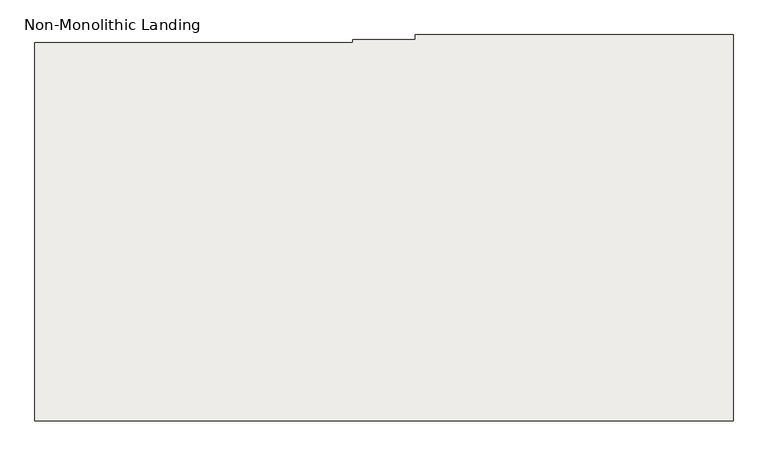
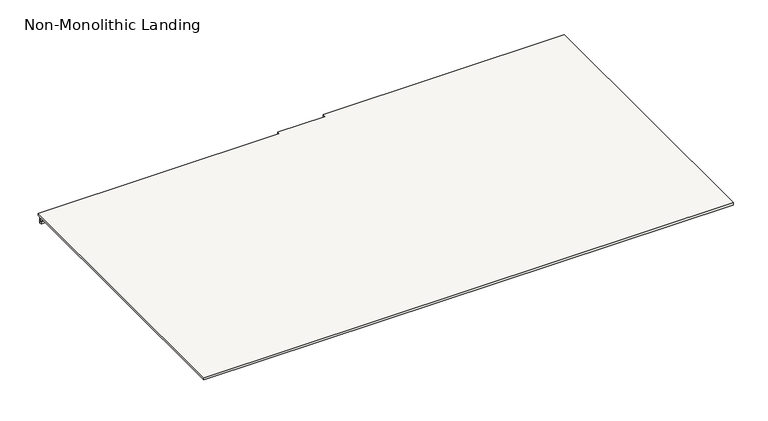
"""IFC4 building model written with IfcOpenShell, lengths in millimetres: slab geometry, Non-Monolithic Landing."""

import ifcopenshell
import ifcopenshell.guid

model = None  # the IFC model being written
_history = None  # IfcOwnerHistory: only IFC2X3 demands one
_inside = {}  # id of a spatial element -> (the spatial element, [elements in it])
_under = {}  # id of a project, library or spatial element -> (it, [spatial elements below it])
_declared = {}  # id of a project -> (the project, [libraries it declares])
_typed = {}  # id of a type object -> (the type object, [elements of that type])
_made_of = {}  # id of a material, layer set ... -> (it, [elements and type objects made of it])


def new_model(schema):
    """Start an empty IFC model of exactly this schema.

    Asked for "IFC4X3", IfcOpenShell would pick the latest addendum, in which some entities
    have other attributes; the version numbers below select the first issue.
    IFC2X3 requires an IfcOwnerHistory on every rooted entity: one is made here for all.
    """
    global model, _history
    if schema == "IFC4X3":
        model = ifcopenshell.file(schema_version=(4, 3, 0, 0))
    else:
        model = ifcopenshell.file(schema=schema)
    _inside.clear()
    _under.clear()
    _declared.clear()
    _typed.clear()
    _made_of.clear()
    _history = None
    if model.schema == "IFC2X3":
        org = make("IfcOrganization", Name="unknown")
        user = make(
            "IfcPersonAndOrganization",
            ThePerson=make("IfcPerson", FamilyName="unknown"),
            TheOrganization=org,
        )
        app = make(
            "IfcApplication",
            ApplicationDeveloper=org,
            Version="unknown",
            ApplicationFullName="unknown",
            ApplicationIdentifier="unknown",
        )
        _history = make(
            "IfcOwnerHistory",
            OwningUser=user,
            OwningApplication=app,
            ChangeAction="ADDED",
            CreationDate=0,
        )
    return model


def make(cls, **values):
    """One entity of the class cls with the attributes given. An attribute that is None is left unset."""
    return model.create_entity(
        cls, **{name: value for name, value in values.items() if value is not None}
    )


def rooted(cls, **values):
    """An entity with a GlobalId (a new one), such as an element, a storey or a relation."""
    return make(cls, GlobalId=ifcopenshell.guid.new(), OwnerHistory=_history, **values)


def si_unit(unit_type, name, prefix=None):
    """IfcSIUnit, for example si_unit("LENGTHUNIT", "METRE", prefix="MILLI")."""
    return make("IfcSIUnit", UnitType=unit_type, Prefix=prefix, Name=name)


def assignment(units):
    """IfcUnitAssignment: the units of a project."""
    return None if units is None else make("IfcUnitAssignment", Units=units)


def point(xyz):
    """IfcCartesianPoint."""
    return None if xyz is None else make("IfcCartesianPoint", Coordinates=xyz)


def direction(xyz):
    """IfcDirection."""
    return None if xyz is None else make("IfcDirection", DirectionRatios=xyz)


def frame(location, z_axis=None, x_axis=None):
    """IfcAxis2Placement3D, a coordinate frame: its origin and axes. An axis left out is left unset."""
    return make(
        "IfcAxis2Placement3D",
        Location=point(location),
        Axis=direction(z_axis),
        RefDirection=direction(x_axis),
    )


def origin():
    """The frame at (0, 0, 0) with its axes left unset."""
    return frame((0.0, 0.0, 0.0))


def place(relative_to, where):
    """IfcLocalPlacement: puts the frame where relative to a parent placement (None: the world)."""
    return make(
        "IfcLocalPlacement", PlacementRelTo=relative_to, RelativePlacement=where
    )


def context(
    kind, dimensions, precision=None, world=None, true_north=None, identifier=None
):
    """IfcGeometricRepresentationContext, for example the 3D "Model" context."""
    return make(
        "IfcGeometricRepresentationContext",
        ContextIdentifier=identifier,
        ContextType=kind,
        CoordinateSpaceDimension=dimensions,
        Precision=precision,
        WorldCoordinateSystem=world,
        TrueNorth=true_north,
    )


def project(units=None, contexts=None):
    """IfcProject with its units and contexts."""
    return rooted(
        "IfcProject",
        Name="project",
        RepresentationContexts=contexts,
        UnitsInContext=assignment(units),
    )


def spatial(cls, under=None, at=None, **own):
    """A site, building, storey or space (cls), placed at a placement, below another one or the project."""
    s = rooted(cls, ObjectPlacement=at, **own)
    if under is not None:
        _under.setdefault(under.id(), (under, []))[1].append(s)
    return s


def faces_of(points, faces, orient=None, outer=None):
    """IfcFace entities. A face is a list of loops; a loop is a list of indices into points, from 0.

    orient and outer hold one flag for each loop. By default every Orientation is true, the
    first loop of a face is its IfcFaceOuterBound and the others are IfcFaceBound.
    """
    made = []
    for i, loops in enumerate(faces):
        bounds = []
        for j, loop in enumerate(loops):
            is_outer = j == 0 if outer is None else outer[i][j]
            bounds.append(
                make(
                    "IfcFaceOuterBound" if is_outer else "IfcFaceBound",
                    Bound=make("IfcPolyLoop", Polygon=[points[k] for k in loop]),
                    Orientation=True if orient is None else orient[i][j],
                )
            )
        made.append(make("IfcFace", Bounds=bounds))
    return made


def faceted_brep(points, faces, orient=None, outer=None, voids=None):
    """IfcFacetedBrep: a solid bounded by flat faces; with voids (closed shells), ...WithVoids."""
    shared = [point(p) for p in points]
    hull = make("IfcClosedShell", CfsFaces=faces_of(shared, faces, orient, outer))
    if voids is None:
        return make("IfcFacetedBrep", Outer=hull)
    return make(
        "IfcFacetedBrepWithVoids",
        Outer=hull,
        Voids=[
            make(cls, CfsFaces=faces_of(shared, fs, o, b)) for cls, fs, o, b in voids
        ],
    )


def shape(context_of_items, identifier, shape_type, items):
    """IfcShapeRepresentation: the items that make up one representation, for example the "Body"."""
    return make(
        "IfcShapeRepresentation",
        ContextOfItems=context_of_items,
        RepresentationIdentifier=identifier,
        RepresentationType=shape_type,
        Items=items,
    )


def source(mapping_origin, context_of_items, identifier, shape_type, items):
    """IfcRepresentationMap: a shape defined once, which mapped items show again and again."""
    return make(
        "IfcRepresentationMap",
        MappingOrigin=mapping_origin,
        MappedRepresentation=shape(context_of_items, identifier, shape_type, items),
    )


def transform(
    local_origin,
    x_axis=None,
    y_axis=None,
    z_axis=None,
    scale=None,
    scale2=None,
    scale3=None,
    uniform=True,
):
    """IfcCartesianTransformationOperator3D, or its non-uniform kind. x_axis, y_axis, z_axis: its Axis1, 2, 3."""
    if uniform:
        return make(
            "IfcCartesianTransformationOperator3D",
            Axis1=direction(x_axis),
            Axis2=direction(y_axis),
            LocalOrigin=point(local_origin),
            Scale=scale,
            Axis3=direction(z_axis),
        )
    return make(
        "IfcCartesianTransformationOperator3DnonUniform",
        Axis1=direction(x_axis),
        Axis2=direction(y_axis),
        LocalOrigin=point(local_origin),
        Scale=scale,
        Axis3=direction(z_axis),
        Scale2=scale2,
        Scale3=scale3,
    )


def mapped(mapping_source, mapping_target):
    """IfcMappedItem: shows the shape of a source again, moved by a transform."""
    return make(
        "IfcMappedItem", MappingSource=mapping_source, MappingTarget=mapping_target
    )


def made_of(thing, what):
    """Note that an element or type object is made of a material, layer set ...; save() writes the relation."""
    if what is not None:
        _made_of.setdefault(what.id(), (what, []))[1].append(thing)
    return thing


def element(
    cls,
    number,
    at=None,
    inside=None,
    cuts=None,
    type_object=None,
    material=None,
    context=None,
    identifier="Body",
    shape_type=None,
    held_by="IfcProductDefinitionShape",
    body=None,
    shapes=None,
    **own,
):
    """One element of the class cls, such as IfcWall. Its Tag is "e" and its number.

    at: its placement. inside: the storey or other place that contains it. cuts: it is an
    opening in that element (IfcRelVoidsElement). A single representation is given by context,
    identifier, shape_type and body (its items); several are given by shapes. held_by: the class
    of the entity that holds the representations. save() writes the other relations.
    """
    e = rooted(cls, Tag="e%d" % number, ObjectPlacement=at, **own)
    if body is not None:
        shapes = [shape(context, identifier, shape_type, body)]
    if shapes is not None:
        e.Representation = make(held_by, Representations=shapes)
    if inside is not None:
        _inside.setdefault(inside.id(), (inside, []))[1].append(e)
    if cuts is not None:
        rooted(
            "IfcRelVoidsElement", RelatingBuildingElement=cuts, RelatedOpeningElement=e
        )
    if type_object is not None:
        _typed.setdefault(type_object.id(), (type_object, []))[1].append(e)
    return made_of(e, material)


def aggregate(whole, parts):
    """IfcRelAggregates: a whole, such as a stair, and the parts it consists of."""
    return rooted("IfcRelAggregates", RelatingObject=whole, RelatedObjects=parts)


def save(model, path):
    """Write the relations noted so far, then the file.

    IfcRelAggregates (storeys below a building ...), IfcRelContainedInSpatialStructure (elements
    in a storey), IfcRelDefinesByType, IfcRelAssociatesMaterial and IfcRelDeclares: one each for
    every whole, place, type object, material and project.
    """
    for whole, parts in _under.values():
        aggregate(whole, parts)
    for where, things in _inside.values():
        rooted(
            "IfcRelContainedInSpatialStructure",
            RelatedElements=things,
            RelatingStructure=where,
        )
    for kind, things in _typed.values():
        rooted("IfcRelDefinesByType", RelatedObjects=things, RelatingType=kind)
    for what, things in _made_of.values():
        rooted("IfcRelAssociatesMaterial", RelatedObjects=things, RelatingMaterial=what)
    for by, libraries in _declared.values():
        rooted("IfcRelDeclares", RelatingContext=by, RelatedDefinitions=libraries)
    model.write(path)


def non_monolithic_landing_ba6491e0(model_context):
    return source(origin(), model_context, "Body", "Brep", [
        faceted_brep([(-7622.7515248, -12958.9832568, 3979.7647059), (-7622.7515248, -12943.9832568, 3979.7647059), (-8622.7515248, -12943.9832568, 3979.7647059), (-8622.7515248, -12958.9832568, 3979.7647059), (-8819.2515248, -12958.9832568, 3979.7647059), (-8819.2515248, -12968.9832568, 3979.7647059), (-9819.2515248, -12968.9832568, 3979.7647059), (-9819.2515248, -14158.9832568, 3979.7647059), (-7622.7515248, -14158.9832568, 3979.7647059), (-7622.7515248, -12943.9832568, 3969.7647059), (-7622.7515248, -12958.9832568, 3969.7647059), (-7622.7515248, -14158.9832568, 3969.7647059), (-9819.2515248, -14158.9832568, 3969.7647059), (-9819.2515248, -12982.2776112, 3969.7647059), (-8819.2515248, -12982.2776112, 3969.7647059), (-8819.2515248, -12978.9832568, 3969.7647059), (-9819.2515248, -12978.9832568, 3969.7647059), (-9819.2515248, -12968.9832568, 3969.7647059), (-8819.2515248, -12968.9832568, 3969.7647059), (-8819.2515248, -12958.9832568, 3969.7647059), (-8622.7515248, -12958.9832568, 3969.7647059), (-8622.7515248, -12943.9832568, 3969.7647059), (-9819.2515248, -12978.9832568, 3943.8840866), (-9819.2515248, -12988.1775789, 3943.8840866), (-9819.2515248, -12988.1775789, 3953.1427353), (-9819.2515248, -12982.2776112, 3953.1297322), (-8819.2515248, -12988.1775789, 3943.8840866), (-8819.2515248, -12978.9832568, 3943.8840866), (-8819.2515248, -12982.2776112, 3953.1297322), (-8819.2515248, -12988.1775789, 3953.1427353)], [[[0, 1, 2, 3, 4, 5, 6, 7, 8]], [[9, 10, 11, 12, 13, 14, 15, 16, 17, 18, 19, 20, 21]], [[6, 17, 16, 22, 23, 24, 25, 13, 12, 7]], [[8, 7, 12, 11]], [[0, 8, 11, 10]], [[4, 3, 20, 19]], [[2, 1, 9, 21]], [[1, 0, 10, 9]], [[3, 2, 21, 20]], [[6, 5, 18, 17]], [[26, 27, 15, 14, 28, 29]], [[27, 22, 16, 15]], [[23, 22, 27, 26]], [[24, 23, 26, 29]], [[25, 24, 29, 28]], [[25, 28, 14, 13]], [[5, 4, 19, 18]]]),
    ])


if __name__ == "__main__":
    model = new_model("IFC4")
    model_context = context("Model", 3, world=origin())
    ifc_project = project(units=[si_unit("LENGTHUNIT", "METRE", prefix="MILLI")], contexts=[model_context])
    site = spatial("IfcSite", under=ifc_project)
    building = spatial("IfcBuilding", under=site)
    placement = place(None, origin())
    non_monolithic_landing_shape = non_monolithic_landing_ba6491e0(model_context)
    element("IfcSlab", 1, ObjectType="Non-Monolithic Landing", at=placement, inside=building, context=model_context, shape_type="MappedRepresentation", body=[
        mapped(non_monolithic_landing_shape, transform((0.0, 0.0, 0.0), x_axis=(1.0, 0.0, 0.0), y_axis=(0.0, 1.0, 0.0), z_axis=(0.0, 0.0, 1.0))),
    ])
    save(model, "model.ifc")
